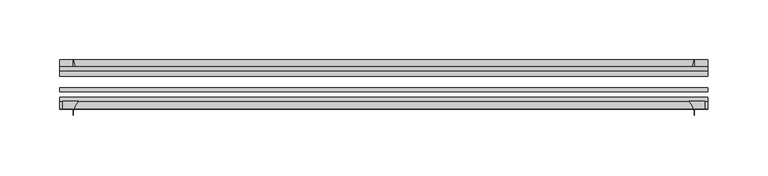
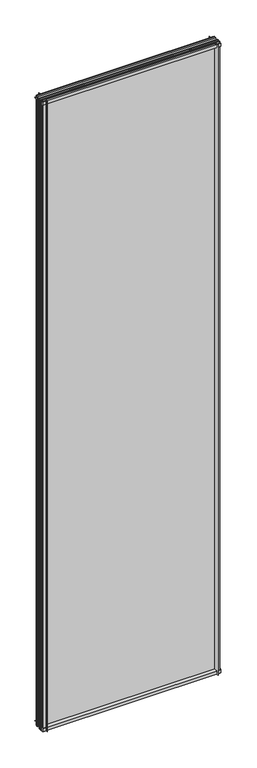
"""IFC4 building model written with IfcOpenShell, lengths in millimetres: plate geometry."""

from ifc_helpers import new_model, si_unit, point, frame, frame_2d, origin, place, context, project, spatial, polyline, circle_curve, trimmed, segment, composite_curve, outline, extrude, source, transform, mapped, element, save


def plate_6c2a01d1(model_context):
    return source(origin(), model_context, "Body", "SweptSolid", [
        extrude(outline(composite_curve([segment(polyline([(-42.891075, -11.1125), (-42.891075, 3.8539528)]), True, "CONTINUOUS"), segment(trimmed(circle_curve(frame_2d((-26.637892, 29.5913262)), 30.4397495), [point((-42.891075, 3.8539528))], [point((-33.7745413, 0.0))], True, "CARTESIAN"), True, "CONTINUOUS"), segment(polyline([(-33.7745413, 0.0), (-39.690675, 0.0), (-39.690675, -11.1125), (-42.891075, -11.1125)]), True, "CONTINUOUS")], self_intersect=False)), frame((-271.4625, 0.0, 0.0), z_axis=(1.0, 0.0, 0.0), x_axis=(0.0, 1.0, 0.0)), (0.0, 0.0, 1.0), 542.925),
        extrude(outline(composite_curve([segment(trimmed(circle_curve(frame_2d((-80.4922797, 17.8701603)), 18.6769817), [point((-74.641075, 0.1333891))], [point((-68.291075, 3.72943))], True, "CARTESIAN"), True, "CONTINUOUS"), segment(polyline([(-68.291075, 3.72943), (-68.291075, -10.3251), (-74.641075, -10.3251), (-74.641075, 0.1333891)]), True, "CONTINUOUS")], self_intersect=False)), frame((-271.4625, 0.0, 0.0), z_axis=(1.0, 0.0, 0.0), x_axis=(0.0, 1.0, 0.0)), (0.0, 0.0, 1.0), 542.925),
        extrude(outline(composite_curve([segment(polyline([(-42.891075, 2005.9083472), (-42.891075, 2020.8875), (-39.690675, 2020.8875), (-39.690675, 2009.775), (-33.721675, 2009.775)]), True, "CONTINUOUS"), segment(trimmed(circle_curve(frame_2d((-26.637892, 1980.1709738)), 30.4397495), [point((-33.721675, 2009.775))], [point((-42.891075, 2005.9083472))], True, "CARTESIAN"), True, "CONTINUOUS")], self_intersect=False)), frame((-271.4625, 0.0, 0.0), z_axis=(1.0, 0.0, 0.0), x_axis=(0.0, 1.0, 0.0)), (0.0, 0.0, 1.0), 542.925),
        extrude(outline(composite_curve([segment(polyline([(-68.291075, 2018.5126), (-68.291075, 2005.23912)]), True, "CONTINUOUS"), segment(trimmed(circle_curve(frame_2d((-80.4922797, 1991.0983897)), 18.6769817), [point((-68.291075, 2005.23912))], [point((-74.641075, 2008.8351609))], True, "CARTESIAN"), True, "CONTINUOUS"), segment(polyline([(-74.641075, 2008.8351609), (-74.641075, 2018.5126), (-68.291075, 2018.5126)]), True, "CONTINUOUS")], self_intersect=False)), frame((-271.4625, 0.0, 0.0), z_axis=(1.0, 0.0, 0.0), x_axis=(0.0, 1.0, 0.0)), (0.0, 0.0, 1.0), 542.925),
        extrude(outline(composite_curve([segment(polyline([(255.81412, -68.291075), (269.0876, -68.291075), (269.0876, -74.641075), (260.35, -74.641075), (260.35, -80.3744844)]), True, "CONTINUOUS"), segment(trimmed(circle_curve(frame_2d((241.6733897, -80.4922797)), 18.6769817), [point((260.35, -80.3744844))], [point((255.81412, -68.291075))], True, "CARTESIAN"), True, "CONTINUOUS")], self_intersect=False)), frame((0.0, 0.0, -11.1125), z_axis=(0.0, 0.0, 1.0), x_axis=(1.0, 0.0, 0.0)), (0.0, 0.0, 1.0), 2032.0),
        extrude(outline(composite_curve([segment(trimmed(circle_curve(frame_2d((230.7459738, -26.637892)), 30.4397495), [point((256.4833472, -42.891075))], [point((260.35, -33.721675))], True, "CARTESIAN"), True, "CONTINUOUS"), segment(polyline([(260.35, -33.721675), (260.35, -39.690675), (271.4625, -39.690675), (271.4625, -42.891075), (256.4833472, -42.891075)]), True, "CONTINUOUS")], self_intersect=False)), frame((0.0, 0.0, -11.1125), z_axis=(0.0, 0.0, 1.0), x_axis=(1.0, 0.0, 0.0)), (0.0, 0.0, 1.0), 2032.0),
        extrude(outline(composite_curve([segment(trimmed(circle_curve(frame_2d((-241.6733897, -80.4922797)), 18.6769817), [point((-255.81412, -68.291075))], [point((-260.35, -80.3744844))], True, "CARTESIAN"), True, "CONTINUOUS"), segment(polyline([(-260.35, -80.3744844), (-260.35, -74.641075), (-269.0876, -74.641075), (-269.0876, -68.291075), (-255.81412, -68.291075)]), True, "CONTINUOUS")], self_intersect=False)), frame((0.0, 0.0, -11.1125), z_axis=(0.0, 0.0, 1.0), x_axis=(1.0, 0.0, 0.0)), (0.0, 0.0, 1.0), 2032.0),
        extrude(outline(composite_curve([segment(polyline([(-256.4833472, -42.891075), (-271.4625, -42.891075), (-271.4625, -39.690675), (-260.35, -39.690675), (-260.35, -33.721675)]), True, "CONTINUOUS"), segment(trimmed(circle_curve(frame_2d((-230.7459738, -26.637892)), 30.4397495), [point((-260.35, -33.721675))], [point((-256.4833472, -42.891075))], True, "CARTESIAN"), True, "CONTINUOUS")], self_intersect=False)), frame((0.0, 0.0, -11.1125), z_axis=(0.0, 0.0, 1.0), x_axis=(1.0, 0.0, 0.0)), (0.0, 0.0, 1.0), 2032.0),
        extrude(outline(polyline([(-271.4625, -42.891075), (271.4625, -42.891075), (271.4625, -47.653575), (-271.4625, -47.653575), (-271.4625, -42.891075)])), frame((0.0, 0.0, -11.1125), z_axis=(0.0, 0.0, 1.0), x_axis=(1.0, 0.0, 0.0)), (0.0, 0.0, 1.0), 2032.0),
        extrude(outline(polyline([(271.4625, -57.369075), (271.4625, -60.544075), (-271.4625, -60.544075), (-271.4625, -57.369075), (271.4625, -57.369075)])), frame((0.0, 0.0, -11.1125), z_axis=(0.0, 0.0, 1.0), x_axis=(1.0, 0.0, 0.0)), (0.0, 0.0, 1.0), 2032.0),
        extrude(outline(polyline([(-271.4625, -65.116075), (271.4625, -65.116075), (271.4625, -68.291075), (-271.4625, -68.291075), (-271.4625, -65.116075)])), frame((0.0, 0.0, -11.1125), z_axis=(0.0, 0.0, 1.0), x_axis=(1.0, 0.0, 0.0)), (0.0, 0.0, 1.0), 2032.0),
    ])


if __name__ == "__main__":
    model = new_model("IFC4")
    model_context = context("Model", 3, world=origin())
    ifc_project = project(units=[si_unit("LENGTHUNIT", "METRE", prefix="MILLI")], contexts=[model_context])
    site = spatial("IfcSite", under=ifc_project)
    building = spatial("IfcBuilding", under=site)
    placement = place(None, origin())
    plate_shape = plate_6c2a01d1(model_context)
    element("IfcPlate", 1, at=placement, inside=building, context=model_context, shape_type="MappedRepresentation", body=[
        mapped(plate_shape, transform((0.0, 0.0, 0.0), x_axis=(1.0, 0.0, 0.0), y_axis=(0.0, 1.0, 0.0), z_axis=(0.0, 0.0, 1.0))),
    ])
    save(model, "model.ifc")
